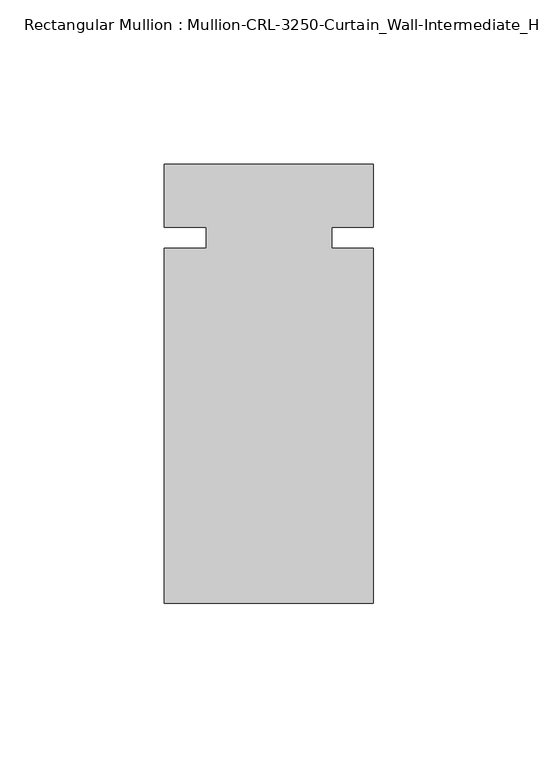
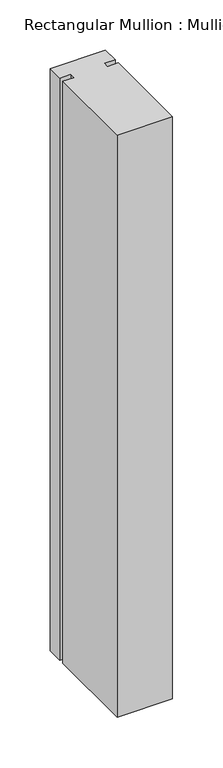
"""IFC4 building model written with IfcOpenShell, lengths in millimetres: member geometry."""

from ifc_helpers import new_model, si_unit, frame, origin, place, context, project, spatial, polyline, outline, extrude, source, transform, mapped, element, save


def member_2f1f7290(model_context):
    return source(origin(), model_context, "Body", "SweptSolid", [
        extrude(outline(polyline([(31.7499985, 3.175), (19.0499985, 3.175), (19.0499985, -3.175), (31.7499985, -3.175), (31.7499985, -111.1245832), (-31.7499985, -111.1245832), (-31.7499985, -3.175), (-19.0499985, -3.175), (-19.0499985, 3.175), (-31.7499985, 3.175), (-31.7499985, 22.2254168), (31.7499985, 22.2254168), (31.7499985, 3.175)])), frame((0.0, 0.0, -708.0261772), z_axis=(0.0, 0.0, 1.0), x_axis=(1.0, 0.0, 0.0)), (0.0, 0.0, 1.0), 708.0261772),
    ])


if __name__ == "__main__":
    model = new_model("IFC4")
    model_context = context("Model", 3, world=origin())
    ifc_project = project(units=[si_unit("LENGTHUNIT", "METRE", prefix="MILLI")], contexts=[model_context])
    site = spatial("IfcSite", under=ifc_project)
    building = spatial("IfcBuilding", under=site)
    placement = place(None, origin())
    member_shape = member_2f1f7290(model_context)
    element("IfcMember", 1, ObjectType="Rectangular Mullion : Mullion-CRL-3250-Curtain_Wall-Intermediate_Horizontal-4\"", at=placement, inside=building, context=model_context, shape_type="MappedRepresentation", body=[
        mapped(member_shape, transform((0.0, 0.0, 0.0), x_axis=(1.0, 0.0, 0.0), y_axis=(0.0, 1.0, 0.0), z_axis=(0.0, 0.0, 1.0))),
    ])
    save(model, "model.ifc")
